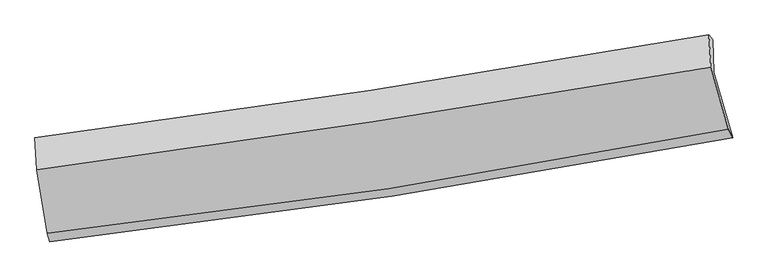
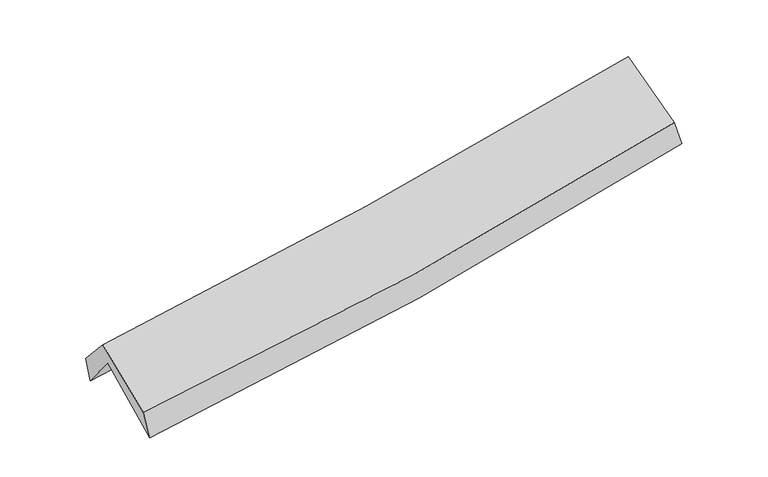
"""IFC4 building model written with IfcOpenShell, lengths in millimetres: proxy geometry."""

from ifc_helpers import new_model, si_unit, frame, origin, place, context, project, spatial, source, transform, mapped, element, save
from ifc_brep_helpers import plane_surface, spline_curve, spline_surface, advanced_brep


def generic_models_734586d3(model_context):
    return source(origin(), model_context, "Body", "AdvancedBrep", [
        advanced_brep(
        [(-2514.6194713, -2476.0493438, 1477.3689475), (-2601.9439545, -1974.1238288, 1910.9559487), (2540.643138, -1185.2762768, 2368.1551354), (2683.5707149, -1682.9524833, 1950.5679294), (-2612.3754124, -1723.25231, 1591.8068243), (2531.2534954, -937.6532215, 2047.5442254), (-2629.359873, -1682.176649, 1786.0112199), (2503.3096268, -900.6471603, 2226.8257418), (-2616.8161393, -1925.9152696, 2057.2233239), (2517.7038023, -1147.0036051, 2502.5453583), (-2535.6641205, -2408.9498645, 1686.5131404), (2651.7646096, -1619.8937716, 2120.7228646)],
        [
            (0, 1),
            (1, 2, spline_curve(3, [(-2601.9439545, -1974.1238288, 1910.9559487), (-1742.629560635, -1864.87058338, 1961.07490834), (-886.088636964, -1744.806217418, 2024.034888905), (828.150790805, -1482.02749681, 2176.232148558), (1685.80556464, -1339.142678722, 2265.671896515), (2540.643138, -1185.2762768, 2368.1551354)], [4, 2, 4], [0.0, 8.582849240126334, 17.23309843953757])),
            (2, 3),
            (3, 0, spline_curve(3, [(2683.5707149, -1682.9524833, 1950.5679294), (1821.566709665, -1847.556277505, 1845.04463944), (955.672827485, -1996.145678583, 1752.747044586), (-777.117616011, -2260.262712999, 1595.219348619), (-1643.953795555, -2376.038932107, 1529.783949199), (-2514.6194713, -2476.0493438, 1477.3689475)], [4, 2, 4], [0.0, 8.650249199411236, 17.23309843953757])),
            (1, 4),
            (4, 5, spline_curve(3, [(-2612.3754124, -1723.25231, 1591.8068243), (-1753.147722386, -1613.473766376, 1642.200129928), (-896.564179957, -1493.414315786, 1705.176955907), (818.02048083, -1231.710056342, 1856.891013717), (1675.979907643, -1089.903143833, 1945.826654614), (2531.2534954, -937.6532215, 2047.5442254)], [4, 2, 4], [0.0, 8.536261601519529, 17.13955731587164])),
            (5, 2),
            (4, 6),
            (6, 7, spline_curve(3, [(-2629.359873, -1682.176649, 1786.0112199), (-1773.255741245, -1570.952887668, 1841.882191757), (-919.146240203, -1450.504487804, 1906.374697785), (791.775043128, -1190.14010669, 2053.176932324), (1648.555375474, -1050.078677116, 2135.622600512), (2503.3096268, -900.6471603, 2226.8257418)], [4, 2, 4], [0.0, 8.525774799644285, 17.11850136067822])),
            (7, 5),
            (6, 8),
            (8, 9, spline_curve(3, [(-2616.8161393, -1925.9152696, 2057.2233239), (-1760.46194348, -1813.0633011, 2111.160183607), (-906.073921629, -1692.014062774, 2175.054544659), (805.463726805, -1432.5060906, 2323.338219074), (1662.582352631, -1293.918107799, 2407.88453581), (2517.7038023, -1147.0036051, 2502.5453583)], [4, 2, 4], [0.0, 8.516573303411283, 17.100026110101403])),
            (9, 7),
            (8, 10),
            (10, 11, spline_curve(3, [(-2535.6641205, -2408.9498645, 1686.5131404), (-1666.414434214, -2313.526356675, 1729.632683015), (-801.178805025, -2200.386661412, 1787.178435574), (928.027396256, -1937.647302161, 1931.687546555), (1791.934677199, -1787.768299783, 2018.87836882), (2651.7646096, -1619.8937716, 2120.7228646)], [4, 2, 4], [0.0, 8.562207543035573, 17.191652948888482])),
            (11, 9),
            (10, 0),
            (3, 11),
        ],
        [
            spline_surface(3, 3, [[(-2514.6194713, -2476.0493438, 1477.3689475), (-1643.953795688, -2376.038932043, 1529.783949255), (-777.117615884, -2260.262713009, 1595.219348519), (955.672827358, -1996.145678572, 1752.747044688), (1821.566709641, -1847.556277502, 1845.044639404), (2683.5707149, -1682.9524833, 1950.5679294)], [(-2543.72763235, -2308.740838785, 1621.897947892), (-1676.845717355, -2205.649482489, 1673.54760223), (-813.441289602, -2088.443881139, 1738.157862032), (913.165481859, -1824.772951261, 1893.908745944), (1776.31299467, -1678.085077905, 1985.253725099), (2635.928189284, -1517.060414479, 2089.763664726)], [(-2572.83579345, -2141.432333815, 1766.426948308), (-1709.737639073, -2035.260032981, 1817.311255227), (-849.764963311, -1916.625049365, 1881.096375519), (870.658136369, -1653.400224045, 2035.070447173), (1731.059279648, -1508.613878271, 2125.462810817), (2588.285663616, -1351.168345621, 2228.959400074)], [(-2601.9439545, -1974.1238288, 1910.9559487), (-1742.629560739, -1864.870583427, 1961.074908202), (-886.088637029, -1744.806217494, 2024.034889033), (828.15079087, -1482.027496734, 2176.23214843), (1685.805564678, -1339.142678675, 2265.671896512), (2540.643138, -1185.2762768, 2368.1551354)]], [4, 4], [4, 2, 4], [0.0, 2.2265909965267503], [0.0, 8.582849240126334, 17.23309843953757]),
            spline_surface(3, 3, [[(-2601.9439545, -1974.1238288, 1910.9559487), (-1742.629560739, -1864.870583427, 1961.074908202), (-886.088637029, -1744.806217494, 2024.034889033), (828.15079087, -1482.027496734, 2176.23214843), (1685.805564678, -1339.142678675, 2265.671896512), (2540.643138, -1185.2762768, 2368.1551354)], [(-2605.421107164, -1890.499989213, 1804.572907237), (-1746.13561462, -1781.071644397, 1854.78331548), (-889.580484645, -1661.008916973, 1917.748911355), (824.774020819, -1398.5883499, 2069.785103506), (1682.530345622, -1256.062833718, 2159.056815923), (2537.513257113, -1102.73525837, 2261.284832076)], [(-2608.898259736, -1806.876149587, 1698.189865763), (-1749.641668407, -1697.272705327, 1748.491722746), (-893.072332246, -1577.211616433, 1811.46293366), (821.397250785, -1315.149203049, 1963.338058564), (1679.255126629, -1172.982988751, 2052.441735307), (2534.383376287, -1020.19423993, 2154.414528724)], [(-2612.3754124, -1723.25231, 1591.8068243), (-1753.147722288, -1613.473766297, 1642.200130023), (-896.564179862, -1493.414315912, 1705.176955983), (818.020480735, -1231.710056215, 1856.891013641), (1675.979907574, -1089.903143794, 1945.826654717), (2531.2534954, -937.6532215, 2047.5442254)]], [4, 4], [4, 2, 4], [0.0, 1.332109051662962], [0.0, 8.536261601519529, 17.13955731587164]),
            spline_surface(3, 3, [[(-2612.3754124, -1723.25231, 1591.8068243), (-1753.147722288, -1613.473766297, 1642.200130023), (-896.564179862, -1493.414315912, 1705.176955983), (818.020480735, -1231.710056215, 1856.891013641), (1675.979907574, -1089.903143794, 1945.826654717), (2531.2534954, -937.6532215, 2047.5442254)], [(-2618.036899249, -1709.56042297, 1656.541622828), (-1759.850395223, -1599.300140027, 1708.760817262), (-904.091533295, -1479.111039881, 1772.242869881), (809.272001569, -1217.85340641, 1922.31965325), (1666.838396901, -1076.62832151, 2009.091969974), (2521.93887254, -925.317867751, 2107.304730848)], [(-2623.698386151, -1695.86853603, 1721.276421372), (-1766.553068211, -1585.126513848, 1775.321504518), (-911.618886803, -1464.807763788, 1839.308783761), (800.523522327, -1203.996756542, 1987.748292842), (1657.69688621, -1063.353499273, 2072.357285286), (2512.62424966, -912.982514049, 2167.065236352)], [(-2629.359873, -1682.176649, 1786.0112199), (-1773.255741146, -1570.952887578, 1841.882191756), (-919.146240235, -1450.504487757, 1906.374697659), (791.775043161, -1190.140106737, 2053.176932451), (1648.555375537, -1050.078676989, 2135.622600543), (2503.3096268, -900.6471603, 2226.8257418)]], [4, 4], [4, 2, 4], [0.0, 0.6713395146445694], [0.0, 8.525774799644285, 17.11850136067822]),
            spline_surface(3, 3, [[(-2629.359873, -1682.176649, 1786.0112199), (-1773.255741146, -1570.952887578, 1841.882191756), (-919.146240235, -1450.504487757, 1906.374697659), (791.775043161, -1190.140106737, 2053.176932451), (1648.555375537, -1050.078676989, 2135.622600543), (2503.3096268, -900.6471603, 2226.8257418)], [(-2625.178628442, -1763.422855889, 1876.415254584), (-1768.991141889, -1651.656358757, 1931.641522358), (-914.788800746, -1531.007679385, 1995.934646671), (796.337937737, -1270.928768072, 2143.230694605), (1653.231034529, -1131.358487225, 2226.376579006), (2508.107685304, -982.765975238, 2318.732280642)], [(-2620.997383858, -1844.669062711, 1966.819289216), (-1764.726542608, -1732.35982987, 2021.400852908), (-910.431361229, -1611.51087101, 2085.494595746), (800.90083234, -1351.717429404, 2233.284456822), (1657.906693509, -1212.638297446, 2317.130557444), (2512.905743796, -1064.884790162, 2410.638819458)], [(-2616.8161393, -1925.9152696, 2057.2233239), (-1760.461943351, -1813.063301049, 2111.16018351), (-906.073921739, -1692.014062637, 2175.054544757), (805.463726916, -1432.506090739, 2323.338218976), (1662.5823525, -1293.918107682, 2407.884535908), (2517.7038023, -1147.0036051, 2502.5453583)]], [4, 4], [4, 2, 4], [0.0, 1.188847239437789], [0.0, 8.516573303411283, 17.100026110101403]),
            spline_surface(3, 3, [[(-2616.8161393, -1925.9152696, 2057.2233239), (-1760.461943351, -1813.063301049, 2111.16018351), (-906.073921739, -1692.014062637, 2175.054544757), (805.463726916, -1432.506090739, 2323.338218976), (1662.5823525, -1293.918107682, 2407.884535908), (2517.7038023, -1147.0036051, 2502.5453583)], [(-2589.765466352, -2086.926801237, 1933.653262714), (-1729.112773631, -1979.884319631, 1983.984350003), (-871.108882838, -1861.471595579, 2045.762508368), (846.318283349, -1600.886494496, 2192.787994833), (1705.699794022, -1458.534838374, 2278.215813526), (2562.390738058, -1304.633660618, 2375.271193754)], [(-2562.714793448, -2247.938332863, 1810.083201586), (-1697.763603953, -2146.705338201, 1856.808516555), (-836.143843911, -2030.92912857, 1916.470471975), (887.172839807, -1769.266898303, 2062.237770685), (1748.817235568, -1623.15156901, 2148.547091083), (2607.077673842, -1462.263716082, 2247.997029146)], [(-2535.6641205, -2408.9498645, 1686.5131404), (-1666.414434233, -2313.526356783, 1729.632683048), (-801.178805009, -2200.386661512, 1787.178435587), (928.02739624, -1937.647302061, 1931.687546542), (1791.93467709, -1787.768299702, 2018.878368702), (2651.7646096, -1619.8937716, 2120.7228646)]], [4, 4], [4, 2, 4], [0.0, 2.130440687295712], [0.0, 8.562207543035573, 17.191652948888482]),
            spline_surface(3, 3, [[(-2535.6641205, -2408.9498645, 1686.5131404), (-1666.414434233, -2313.526356783, 1729.632683048), (-801.178805009, -2200.386661512, 1787.178435587), (928.02739624, -1937.647302061, 1931.687546542), (1791.93467709, -1787.768299702, 2018.878368702), (2651.7646096, -1619.8937716, 2120.7228646)], [(-2528.649237443, -2431.316357606, 1616.798409445), (-1658.927554727, -2334.363881876, 1663.016438462), (-793.158408633, -2220.345345365, 1723.19207323), (937.242539947, -1957.146760919, 1872.04071259), (1801.812021275, -1807.697625611, 1960.933792257), (2662.366644701, -1640.913342143, 2064.004552855)], [(-2521.634354357, -2453.682850694, 1547.083678455), (-1651.440675194, -2355.20140695, 1596.400193841), (-785.13801226, -2240.304029156, 1659.205710875), (946.457683651, -1976.646219714, 1812.39387864), (1811.689365456, -1827.626951592, 1902.989215849), (2672.968679799, -1661.932912757, 2007.286241145)], [(-2514.6194713, -2476.0493438, 1477.3689475), (-1643.953795688, -2376.038932043, 1529.783949255), (-777.117615884, -2260.262713009, 1595.219348519), (955.672827358, -1996.145678572, 1752.747044688), (1821.566709641, -1847.556277502, 1845.044639404), (2683.5707149, -1682.9524833, 1950.5679294)]], [4, 4], [4, 2, 4], [0.0, 0.6441182509713084], [0.0, 8.618169538244231, 17.304016401318126]),
            plane_surface(frame((2571.3742311, -1245.5710864, 2202.7268758), z_axis=(0.976164119967504, 0.18466138953013989, 0.11403412693078706), x_axis=(0.2153921974084492, -0.7597809842975949, -0.6134647970302269))),
            plane_surface(frame((-2585.1298285, -2031.7445443, 1751.6465675), z_axis=(-0.9909511036906953, -0.11934457547655328, -0.061422979401153405), x_axis=(-0.09537561790291306, 0.3040988827410498, 0.9478540821377955))),
        ],
        [
            (0, [[1, 2, 3, 4]]),
            (1, [[5, 6, 7, -2]]),
            (2, [[8, 9, 10, -6]]),
            (3, [[11, 12, 13, -9]]),
            (4, [[14, 15, 16, -12]]),
            (5, [[17, -4, 18, -15]]),
            (6, [[-16, -18, -3, -7, -10, -13]]),
            (7, [[-17, -14, -11, -8, -5, -1]]),
        ],
    ),
    ])


if __name__ == "__main__":
    model = new_model("IFC4")
    model_context = context("Model", 3, world=origin())
    ifc_project = project(units=[si_unit("LENGTHUNIT", "METRE", prefix="MILLI")], contexts=[model_context])
    site = spatial("IfcSite", under=ifc_project)
    building = spatial("IfcBuilding", under=site)
    placement = place(None, origin())
    generic_models_shape = generic_models_734586d3(model_context)
    element("IfcBuildingElementProxy", 1, Name="Generic Models", at=placement, inside=building, context=model_context, shape_type="MappedRepresentation", body=[
        mapped(generic_models_shape, transform((0.0, 0.0, 0.0), x_axis=(1.0, 0.0, 0.0), y_axis=(0.0, 1.0, 0.0), z_axis=(0.0, 0.0, 1.0))),
    ])
    save(model, "model.ifc")
